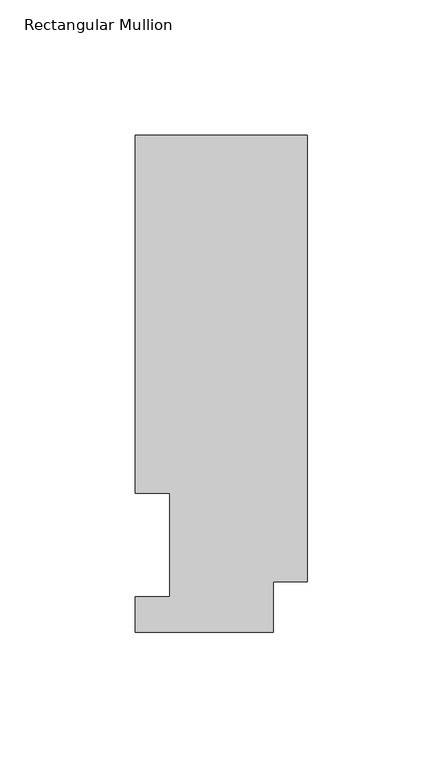
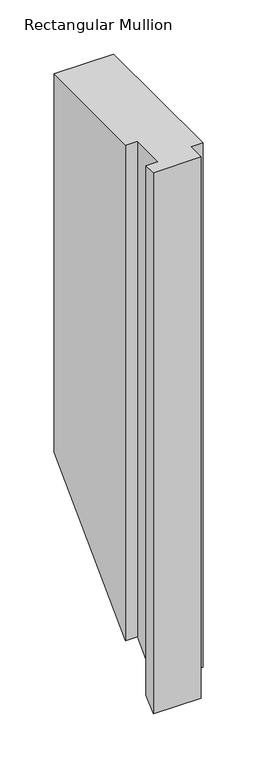
"""IFC4 building model written with IfcOpenShell, lengths in millimetres: member geometry, Rectangular Mullion."""

from ifc_helpers import new_model, si_unit, origin, place, context, project, spatial, faceted_brep, source, transform, mapped, element, save


def rectangular_mullion_aedb87db(model_context):
    return source(origin(), model_context, "Body", "Brep", [
        faceted_brep([(0.0, 18.7332937, 0.0), (0.0, 183.4446737, 0.0), (-63.5, 183.4446737, 0.0), (-63.5, 51.2960937, 0.0), (-50.8, 51.2960937, 0.0), (-50.8, 13.1960938, 0.0), (-63.5, 13.1960938, 0.0), (-63.5, 0.0134937, 0.0), (-12.7, 0.0134937, 0.0), (-12.7, 18.7332937, 0.0), (-12.7, 18.7332937, -590.8667063), (0.0, 18.7332937, -590.8667063), (0.0, 183.4446737, -426.1553263), (-63.5, 183.4446737, -426.1553263), (-63.5, 51.2960937, -558.3039062), (-50.8, 51.2960937, -558.3039062), (-50.8, 13.1960938, -596.4039062), (-63.5, 13.1960938, -596.4039062), (-63.5, 0.0134937, -609.5865063), (-12.7, 0.0134937, -609.5865063)], [[[0, 1, 2, 3, 4, 5, 6, 7, 8, 9]], [[0, 9, 10, 11]], [[1, 0, 11, 12]], [[2, 1, 12, 13]], [[3, 2, 13, 14]], [[4, 3, 14, 15]], [[5, 4, 15, 16]], [[6, 5, 16, 17]], [[7, 6, 17, 18]], [[8, 7, 18, 19]], [[11, 10, 19, 18, 17, 16, 15, 14, 13, 12]], [[9, 8, 19, 10]]]),
    ])


if __name__ == "__main__":
    model = new_model("IFC4")
    model_context = context("Model", 3, world=origin())
    ifc_project = project(units=[si_unit("LENGTHUNIT", "METRE", prefix="MILLI")], contexts=[model_context])
    site = spatial("IfcSite", under=ifc_project)
    building = spatial("IfcBuilding", under=site)
    placement = place(None, origin())
    rectangular_mullion_shape = rectangular_mullion_aedb87db(model_context)
    element("IfcMember", 1, ObjectType="Rectangular Mullion", at=placement, inside=building, context=model_context, shape_type="MappedRepresentation", body=[
        mapped(rectangular_mullion_shape, transform((0.0, 0.0, 0.0), x_axis=(1.0, 0.0, 0.0), y_axis=(0.0, 1.0, 0.0), z_axis=(0.0, 0.0, 1.0))),
    ])
    save(model, "model.ifc")
